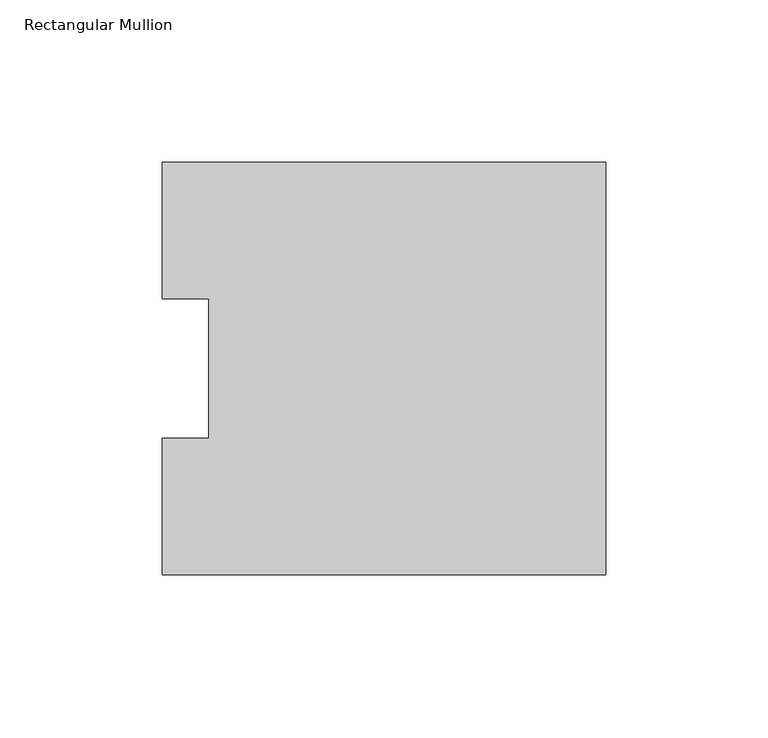
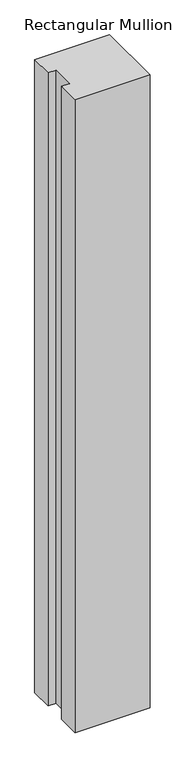
"""IFC4 building model written with IfcOpenShell, lengths in millimetres: member geometry, Rectangular Mullion."""

from ifc_helpers import new_model, si_unit, frame, origin, place, context, project, spatial, polyline, outline, extrude, source, transform, mapped, element, save


def rectangular_mullion_7da4bf70(model_context):
    return source(origin(), model_context, "Body", "SweptSolid", [
        extrude(outline(polyline([(0.0, 126.7086937), (0.0, -0.2913063), (-136.525, -0.2913063), (-136.525, 41.7837937), (-122.2375, 41.7837937), (-122.2375, 84.6335938), (-136.525, 84.6335938), (-136.525, 126.7086937), (0.0, 126.7086937)])), frame((0.0, 0.0, -1219.2), z_axis=(0.0, 0.0, 1.0), x_axis=(1.0, 0.0, 0.0)), (0.0, 0.0, 1.0), 1219.2),
    ])


if __name__ == "__main__":
    model = new_model("IFC4")
    model_context = context("Model", 3, world=origin())
    ifc_project = project(units=[si_unit("LENGTHUNIT", "METRE", prefix="MILLI")], contexts=[model_context])
    site = spatial("IfcSite", under=ifc_project)
    building = spatial("IfcBuilding", under=site)
    placement = place(None, origin())
    rectangular_mullion_shape = rectangular_mullion_7da4bf70(model_context)
    element("IfcMember", 1, ObjectType="Rectangular Mullion", at=placement, inside=building, context=model_context, shape_type="MappedRepresentation", body=[
        mapped(rectangular_mullion_shape, transform((0.0, 0.0, 0.0), x_axis=(1.0, 0.0, 0.0), y_axis=(0.0, 1.0, 0.0), z_axis=(0.0, 0.0, 1.0))),
    ])
    save(model, "model.ifc")
